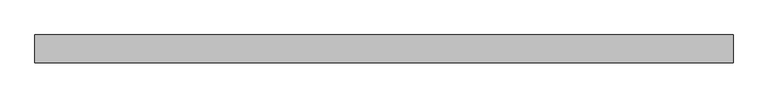
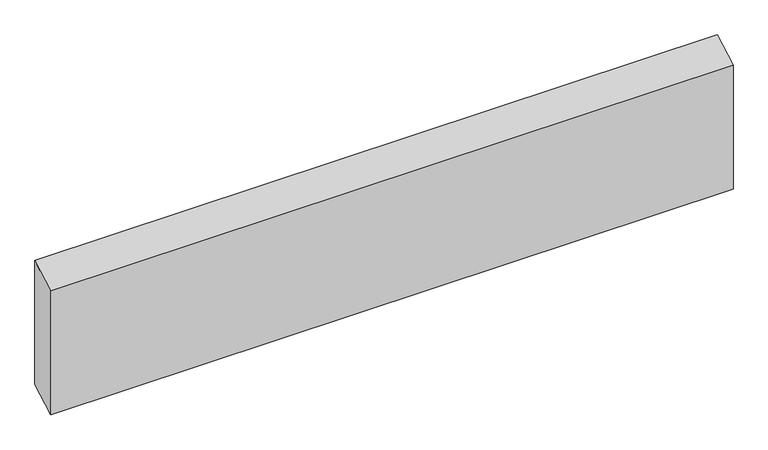
"""IFC4 building model written with IfcOpenShell, lengths in millimetres: beam geometry."""

from ifc_helpers import new_model, si_unit, frame, origin, place, context, project, spatial, polyline, outline, extrude, source, transform, mapped, element, save


def beam_7af72a8e(model_context):
    return source(origin(), model_context, "Body", "SweptSolid", [
        extrude(outline(polyline([(24.0, 129.3264603), (24.0, -101.6136474), (-24.0, -129.3264603), (-24.0, 101.6136474), (24.0, 129.3264603)])), frame((-601.0, 0.0, 0.0), z_axis=(1.0, 0.0, 0.0), x_axis=(0.0, 1.0, 0.0)), (0.0, 0.0, 1.0), 1202.0),
    ])


if __name__ == "__main__":
    model = new_model("IFC4")
    model_context = context("Model", 3, world=origin())
    ifc_project = project(units=[si_unit("LENGTHUNIT", "METRE", prefix="MILLI")], contexts=[model_context])
    site = spatial("IfcSite", under=ifc_project)
    building = spatial("IfcBuilding", under=site)
    placement = place(None, origin())
    beam_shape = beam_7af72a8e(model_context)
    element("IfcBeam", 1, at=placement, inside=building, context=model_context, shape_type="MappedRepresentation", body=[
        mapped(beam_shape, transform((0.0, 0.0, 0.0), x_axis=(1.0, 0.0, 0.0), y_axis=(0.0, 1.0, 0.0), z_axis=(0.0, 0.0, 1.0))),
    ])
    save(model, "model.ifc")
